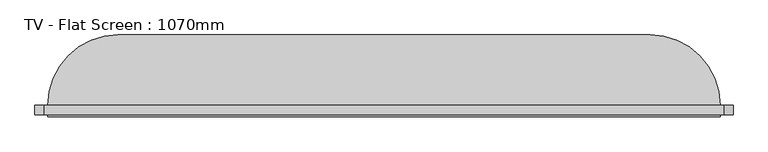
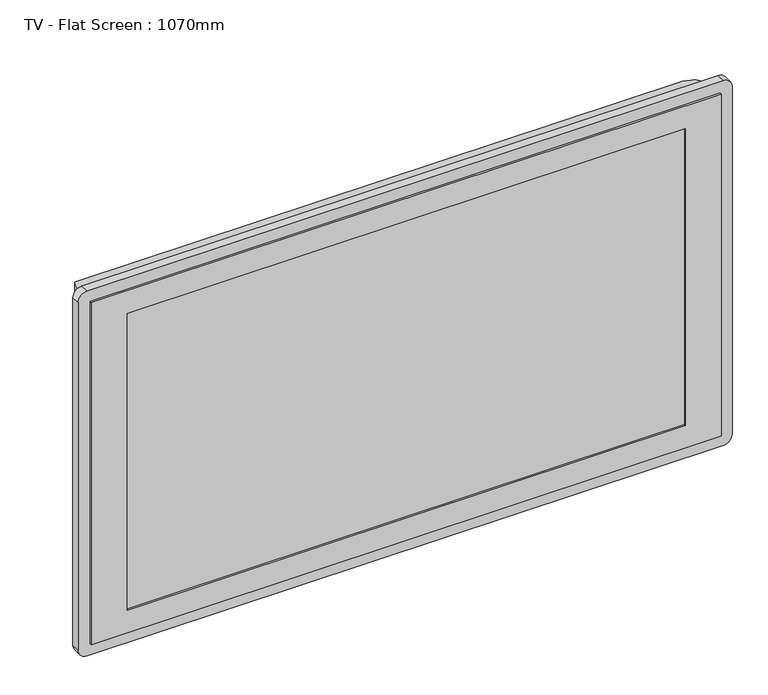
"""IFC4 building model written with IfcOpenShell, lengths in millimetres: furniture geometry, TV - Flat Screen : 1070mm."""

from ifc_helpers import new_model, si_unit, point, frame, frame_2d, origin, place, context, project, spatial, polyline, circle_curve, ellipse_curve, trimmed, segment, composite_curve, outline, extrude, faceted_brep, source, transform, mapped, element, save
from ifc_brep_helpers import plane_surface, cylinder_surface, advanced_brep


def tv_flat_screen_1070mm_7b9144fb(model_context):
    return source(origin(), model_context, "Body", "SolidModel", [
        faceted_brep([(522.338114, -69.4613764, 684.6160909), (-530.2271423, -69.4613764, 684.6160909), (-530.2271423, -69.4613764, 80.0), (522.338114, -69.4613764, 80.0), (-470.2271423, -69.4613764, 644.6160909), (462.338114, -69.4613764, 644.6160909), (462.338114, -69.4613764, 120.0), (-470.2271423, -69.4613764, 120.0), (522.338114, -51.4613764, 684.6160909), (522.338114, -51.4613764, 80.0), (-530.2271423, -51.4613764, 80.0), (-530.2271423, -51.4613764, 684.6160909), (-470.2271423, -66.4613764, 644.6160909), (-470.2271423, -66.4613764, 120.0), (462.338114, -66.4613764, 120.0), (462.338114, -66.4613764, 644.6160909)], [[[0, 1, 2, 3], [4, 5, 6, 7]], [[8, 9, 10, 11]], [[1, 0, 8, 11]], [[2, 1, 11, 10]], [[3, 2, 10, 9]], [[0, 3, 9, 8]], [[12, 13, 14, 15]], [[12, 15, 5, 4]], [[15, 14, 6, 5]], [[14, 13, 7, 6]], [[13, 12, 4, 7]]]),
        extrude(outline(composite_curve([segment(polyline([(704.6160909, 527.338114), (704.6160909, -535.2271423)]), True, "CONTINUOUS"), segment(trimmed(circle_curve(frame_2d((689.6160909, -535.2271423)), 15.0), [point((704.6160909, -535.2271423))], [point((689.6160909, -550.2271423))], False, "CARTESIAN"), True, "CONTINUOUS"), segment(polyline([(689.6160909, -550.2271423), (75.0, -550.2271423)]), True, "CONTINUOUS"), segment(trimmed(circle_curve(frame_2d((75.0, -535.2271423)), 15.0), [point((75.0, -550.2271423))], [point((60.0, -535.2271423))], False, "CARTESIAN"), True, "CONTINUOUS"), segment(polyline([(60.0, -535.2271423), (60.0, 527.338114)]), True, "CONTINUOUS"), segment(trimmed(circle_curve(frame_2d((75.0, 527.338114)), 15.0), [point((60.0, 527.338114))], [point((75.0, 542.338114))], False, "CARTESIAN"), True, "CONTINUOUS"), segment(polyline([(75.0, 542.338114), (689.6160909, 542.338114)]), True, "CONTINUOUS"), segment(trimmed(circle_curve(frame_2d((689.6160909, 527.338114)), 15.0), [point((689.6160909, 542.338114))], [point((704.6160909, 527.338114))], False, "CARTESIAN"), True, "CONTINUOUS")], self_intersect=False), holes=[polyline([(684.6160909, 522.338114), (80.0, 522.338114), (80.0, -530.2271423), (684.6160909, -530.2271423), (684.6160909, 522.338114)])]), frame((0.0, -66.4613764, 0.0), z_axis=(0.0, 1.0, 0.0), x_axis=(0.0, 0.0, 1.0)), (0.0, 0.0, 1.0), 15.0),
        advanced_brep(
        [(-530.2271423, -51.4613764, 80.0), (522.338114, -51.4613764, 80.0), (522.338114, -51.4613764, 684.6160909), (-530.2271423, -51.4613764, 684.6160909), (412.338114, 58.5386236, 80.0), (-420.2271423, 58.5386236, 80.0), (-420.2271423, 58.5386236, 574.6160909), (412.338114, 58.5386236, 574.6160909)],
        [
            (0, 1),
            (1, 2),
            (2, 3),
            (3, 0),
            (4, 5),
            (5, 6),
            (6, 7),
            (7, 4),
            (0, 5, circle_curve(frame((-420.2271423, -51.4613764, 80.0), z_axis=(0.0, 0.0, -1.0), x_axis=(-1.0, 0.0, 0.0)), 110.0)),
            (4, 1, circle_curve(frame((412.338114, -51.4613764, 80.0), z_axis=(0.0, 0.0, -1.0), x_axis=(1.0, 0.0, 0.0)), 110.0)),
            (7, 2, ellipse_curve(frame((412.338114, -51.4613764, 574.6160909), z_axis=(0.7071067811865475, 0.0, -0.7071067811865475), x_axis=(0.7071067811865474, 0.0, 0.7071067811865476)), 155.5634919, 110.0)),
            (6, 3, ellipse_curve(frame((-420.2271423, -51.4613764, 574.6160909), z_axis=(0.7071067811865475, 0.0, 0.7071067811865475), x_axis=(-0.7071067811865476, 0.0, 0.7071067811865474)), 155.5634919, 110.0)),
        ],
        [
            plane_surface(frame((-530.2271423, -51.4613764, 684.6160909), z_axis=(0.0, -1.0, 0.0), x_axis=(-1.0, 0.0, 0.0))),
            plane_surface(frame((-530.2271423, 58.5386236, 684.6160909), z_axis=(0.0, 1.0, 0.0), x_axis=(1.0, 0.0, 0.0))),
            plane_surface(frame((-530.2271423, -51.4613764, 80.0), z_axis=(0.0, 0.0, -1.0), x_axis=(0.0, 1.0, 0.0))),
            cylinder_surface(frame((412.338114, -51.4613764, 80.0), z_axis=(0.0, 0.0, 1.0), x_axis=(1.0, 0.0, 0.0)), 110.0),
            cylinder_surface(frame((522.338114, -51.4613764, 574.6160909), z_axis=(-1.0, 0.0, 0.0), x_axis=(0.0, 0.0, 1.0)), 110.0),
            cylinder_surface(frame((-420.2271423, -51.4613764, 684.6160909), z_axis=(0.0, 0.0, -1.0), x_axis=(-1.0, 0.0, 0.0)), 110.0),
        ],
        [
            (0, [[1, 2, 3, 4]]),
            (1, [[5, 6, 7, 8]]),
            (2, [[-1, 9, -5, 10]]),
            (3, [[11, -2, -10, -8]]),
            (4, [[-11, -7, 12, -3]]),
            (5, [[-12, -6, -9, -4]]),
        ],
    ),
    ])


if __name__ == "__main__":
    model = new_model("IFC4")
    model_context = context("Model", 3, world=origin())
    ifc_project = project(units=[si_unit("LENGTHUNIT", "METRE", prefix="MILLI")], contexts=[model_context])
    site = spatial("IfcSite", under=ifc_project)
    building = spatial("IfcBuilding", under=site)
    placement = place(None, origin())
    tv_flat_screen_1070mm_shape = tv_flat_screen_1070mm_7b9144fb(model_context)
    element("IfcFurniture", 1, ObjectType="TV - Flat Screen : 1070mm", at=placement, inside=building, context=model_context, shape_type="MappedRepresentation", body=[
        mapped(tv_flat_screen_1070mm_shape, transform((0.0, 0.0, 0.0), x_axis=(1.0, 0.0, 0.0), y_axis=(0.0, 1.0, 0.0), z_axis=(0.0, 0.0, 1.0))),
    ])
    save(model, "model.ifc")
